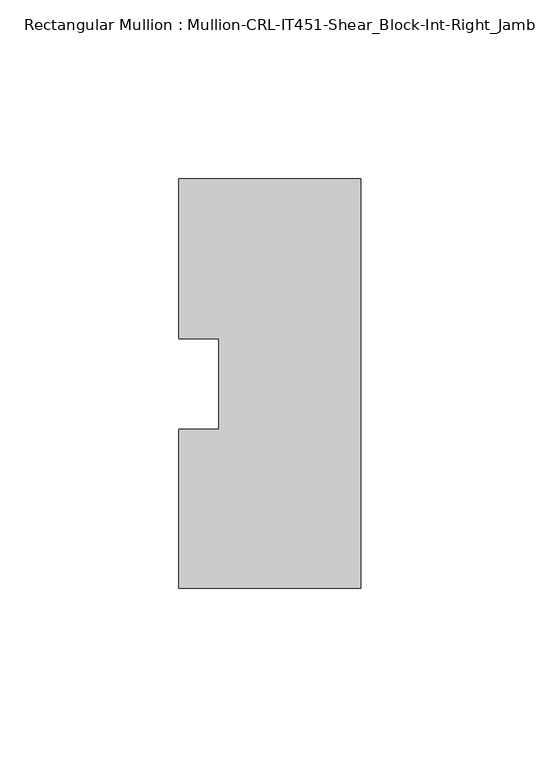
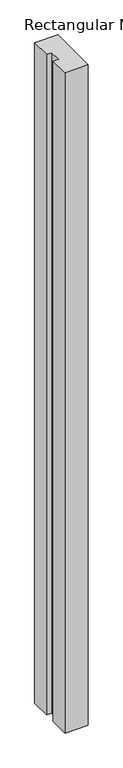
"""IFC4 building model written with IfcOpenShell, lengths in millimetres: member geometry, Rectangular Mullion : Mullion-CRL-IT451-Shear_Block-Int-Right_Jamb."""

from ifc_helpers import new_model, si_unit, frame, origin, place, context, project, spatial, polyline, outline, extrude, source, transform, mapped, element, save


def rectangular_mullion_mullion_crl_it451_shear_block_int_right_5fad3759(model_context):
    return source(origin(), model_context, "Body", "SweptSolid", [
        extrude(outline(polyline([(0.0, -57.15), (-50.8, -57.15), (-50.8, -12.8430761), (-39.6875, -12.8430761), (-39.6875, 12.5476134), (-50.8, 12.5476134), (-50.8, 57.15), (0.0, 57.15), (0.0, -57.15)])), frame((0.0, 0.0, -1524.0), z_axis=(0.0, 0.0, 1.0), x_axis=(1.0, 0.0, 0.0)), (0.0, 0.0, 1.0), 1524.0),
    ])


if __name__ == "__main__":
    model = new_model("IFC4")
    model_context = context("Model", 3, world=origin())
    ifc_project = project(units=[si_unit("LENGTHUNIT", "METRE", prefix="MILLI")], contexts=[model_context])
    site = spatial("IfcSite", under=ifc_project)
    building = spatial("IfcBuilding", under=site)
    placement = place(None, origin())
    rectangular_mullion_mullion_crl_it451_shear_block_int_right_shape = rectangular_mullion_mullion_crl_it451_shear_block_int_right_5fad3759(model_context)
    element("IfcMember", 1, ObjectType="Rectangular Mullion : Mullion-CRL-IT451-Shear_Block-Int-Right_Jamb", at=placement, inside=building, context=model_context, shape_type="MappedRepresentation", body=[
        mapped(rectangular_mullion_mullion_crl_it451_shear_block_int_right_shape, transform((0.0, 0.0, 0.0), x_axis=(1.0, 0.0, 0.0), y_axis=(0.0, 1.0, 0.0), z_axis=(0.0, 0.0, 1.0))),
    ])
    save(model, "model.ifc")
